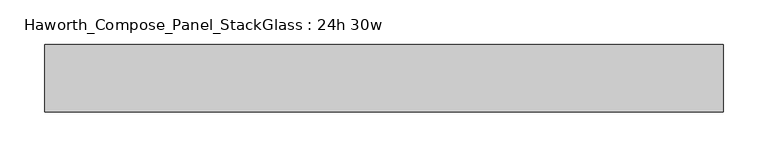
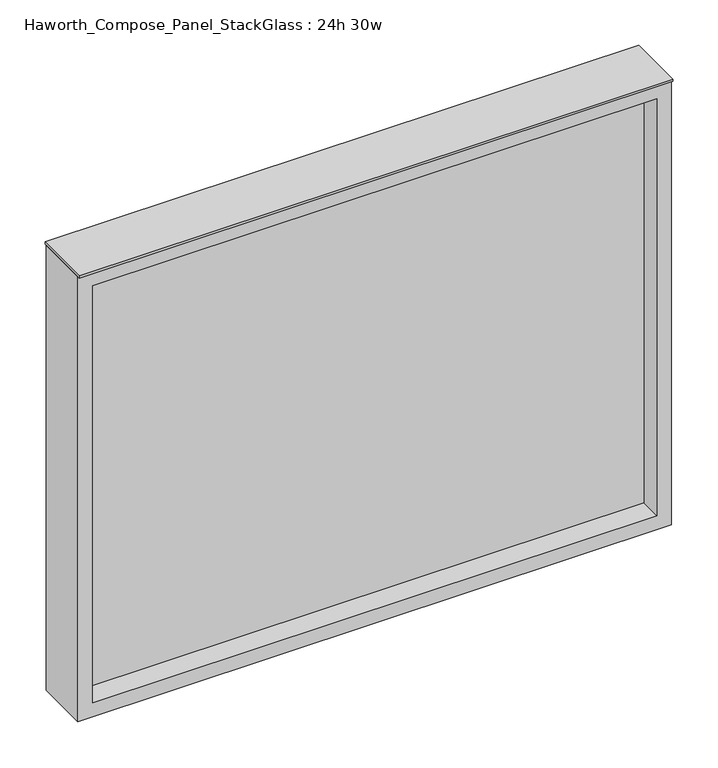
"""IFC4 building model written with IfcOpenShell, lengths in millimetres: furniture geometry, Haworth_Compose_Panel_StackGlass : 24h 30w."""

from ifc_helpers import new_model, si_unit, frame, origin, place, context, project, spatial, polyline, outline, extrude, source, transform, mapped, element, save


def haworth_compose_panel_stackglass_24h_30w_1bc70f66(model_context):
    return source(origin(), model_context, "Body", "SweptSolid", [
        extrude(outline(polyline([(364.3902902, -6.35), (-359.5097098, -6.35), (-359.5097098, 6.35), (364.3902902, 6.35), (364.3902902, -6.35)])), frame((0.0, 0.0, 1085.85), z_axis=(0.0, 0.0, 1.0), x_axis=(1.0, 0.0, 0.0)), (0.0, 0.0, 1.0), 565.15),
        extrude(outline(polyline([(1670.05, -378.5597098), (1066.8, -378.5597098), (1066.8, 383.4402902), (1670.05, 383.4402902), (1670.05, -378.5597098)]), holes=[polyline([(1651.0, 364.3902902), (1085.85, 364.3902902), (1085.85, -359.5097098), (1651.0, -359.5097098), (1651.0, 364.3902902)])]), frame((0.0, -34.925, 0.0), z_axis=(0.0, 1.0, 0.0), x_axis=(0.0, 0.0, 1.0)), (0.0, 0.0, 1.0), 69.85),
        extrude(outline(polyline([(-378.5597098, -38.1), (-378.5597098, 38.1), (383.4402902, 38.1), (383.4402902, -38.1), (-378.5597098, -38.1)])), frame((0.0, 0.0, 1670.05), z_axis=(0.0, 0.0, 1.0), x_axis=(1.0, 0.0, 0.0)), (0.0, 0.0, 1.0), 3.175),
    ])


if __name__ == "__main__":
    model = new_model("IFC4")
    model_context = context("Model", 3, world=origin())
    ifc_project = project(units=[si_unit("LENGTHUNIT", "METRE", prefix="MILLI")], contexts=[model_context])
    site = spatial("IfcSite", under=ifc_project)
    building = spatial("IfcBuilding", under=site)
    placement = place(None, origin())
    haworth_compose_panel_stackglass_24h_30w_shape = haworth_compose_panel_stackglass_24h_30w_1bc70f66(model_context)
    element("IfcFurniture", 1, ObjectType="Haworth_Compose_Panel_StackGlass : 24h 30w", at=placement, inside=building, context=model_context, shape_type="MappedRepresentation", body=[
        mapped(haworth_compose_panel_stackglass_24h_30w_shape, transform((0.0, 0.0, 0.0), x_axis=(1.0, 0.0, 0.0), y_axis=(0.0, 1.0, 0.0), z_axis=(0.0, 0.0, 1.0))),
    ])
    save(model, "model.ifc")
